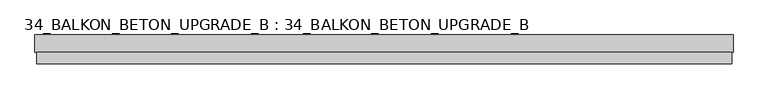
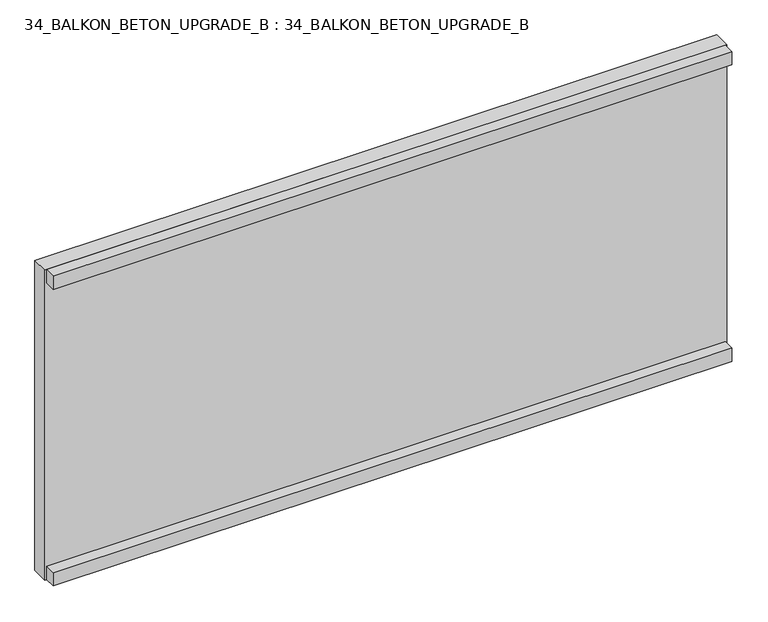
"""IFC4 building model written with IfcOpenShell, lengths in millimetres: proxy geometry, 34_BALKON_BETON_UPGRADE_B : 34_BALKON_BETON_UPGRADE_B."""

from ifc_helpers import new_model, si_unit, frame, origin, place, context, project, spatial, polyline, outline, extrude, faceted_brep, source, transform, mapped, element, save


def proxy_34_balkon_beton_upgrade_b_34_balkon_beton_upgrade_b_ca802546(model_context):
    return source(origin(), model_context, "Body", "SolidModel", [
        extrude(outline(polyline([(0.0, -171.0), (0.0, -131.0), (2400.0, -131.0), (2400.0, -171.0), (0.0, -171.0)])), frame((0.0, 0.0, -160.0), z_axis=(0.0, 0.0, 1.0), x_axis=(1.0, 0.0, 0.0)), (0.0, 0.0, 1.0), 50.1252074),
        extrude(outline(polyline([(0.0, -171.0), (0.0, -131.0), (2400.0, -131.0), (2400.0, -171.0), (0.0, -171.0)])), frame((0.0, 0.0, 949.8747926), z_axis=(0.0, 0.0, 1.0), x_axis=(1.0, 0.0, 0.0)), (0.0, 0.0, 1.0), 50.1252074),
        faceted_brep([(2404.9346322, -71.0, 1000.0), (-6.8377708, -71.0, 1000.0), (-6.8377708, -131.0, 1000.0), (2404.9346322, -131.0, 1000.0), (2404.9346322, -71.0, -160.0), (2404.9346322, -131.0, -160.0), (-6.8377708, -131.0, -160.0), (-6.8377708, -71.0, -160.0), (80.0, -71.0, 920.0866276), (80.0, -71.0, 0.0), (764.7878361, -71.0, 0.0), (764.7878361, -71.0, 920.0866276), (398.0, -71.0, -55.4898511), (398.0, -71.0, -104.5186216), (447.0, -71.0, -104.5186216), (447.0, -71.0, -55.4898511), (835.0, -71.0, 920.0866276), (835.0, -71.0, 0.0), (1564.9346322, -71.0, 0.0), (1564.9346322, -71.0, 920.0866276), (1635.0, -71.0, 920.0866276), (1635.0, -71.0, 0.0), (2319.772068, -71.0, 0.0), (2319.772068, -71.0, 920.0866276), (1175.5, -71.0, -55.4898511), (1175.5, -71.0, -104.5186216), (1224.5, -71.0, -104.5186216), (1224.5, -71.0, -55.4898511), (1953.0, -71.0, -55.4898511), (1953.0, -71.0, -104.5186216), (2002.0, -71.0, -104.5186216), (2002.0, -71.0, -55.4898511), (80.0, -101.0, 920.0866276), (764.7878361, -101.0, 920.0866276), (764.7878361, -101.0, 0.0), (80.0, -101.0, 0.0), (398.0, -130.0, -55.4898511), (447.0, -130.0, -55.4898511), (447.0, -130.0, -104.5186216), (398.0, -130.0, -104.5186216), (835.0, -101.0, 920.0866276), (1564.9346322, -101.0, 920.0866276), (1564.9346322, -101.0, 0.0), (835.0, -101.0, 0.0), (1635.0, -101.0, 920.0866276), (2319.772068, -101.0, 920.0866276), (2319.772068, -101.0, 0.0), (1635.0, -101.0, 0.0), (1175.5, -130.0, -55.4898511), (1224.5, -130.0, -55.4898511), (1224.5, -130.0, -104.5186216), (1175.5, -130.0, -104.5186216), (1953.0, -130.0, -55.4898511), (2002.0, -130.0, -55.4898511), (2002.0, -130.0, -104.5186216), (1953.0, -130.0, -104.5186216)], [[[0, 1, 2, 3]], [[4, 5, 6, 7]], [[3, 5, 4, 0]], [[2, 6, 5, 3]], [[1, 7, 6, 2]], [[0, 4, 7, 1], [8, 9, 10, 11], [12, 13, 14, 15], [16, 17, 18, 19], [20, 21, 22, 23], [24, 25, 26, 27], [28, 29, 30, 31]], [[32, 8, 11, 33]], [[34, 10, 9, 35]], [[33, 34, 35, 32]], [[35, 9, 8, 32]], [[33, 11, 10, 34]], [[36, 12, 15, 37]], [[38, 14, 13, 39]], [[37, 15, 14, 38]], [[37, 38, 39, 36]], [[39, 13, 12, 36]], [[40, 16, 19, 41]], [[42, 18, 17, 43]], [[41, 42, 43, 40]], [[43, 17, 16, 40]], [[41, 19, 18, 42]], [[44, 20, 23, 45]], [[46, 22, 21, 47]], [[45, 46, 47, 44]], [[47, 21, 20, 44]], [[45, 23, 22, 46]], [[48, 24, 27, 49]], [[50, 26, 25, 51]], [[51, 25, 24, 48]], [[49, 50, 51, 48]], [[49, 27, 26, 50]], [[52, 28, 31, 53]], [[54, 30, 29, 55]], [[55, 29, 28, 52]], [[53, 54, 55, 52]], [[53, 31, 30, 54]]]),
    ])


if __name__ == "__main__":
    model = new_model("IFC4")
    model_context = context("Model", 3, world=origin())
    ifc_project = project(units=[si_unit("LENGTHUNIT", "METRE", prefix="MILLI")], contexts=[model_context])
    site = spatial("IfcSite", under=ifc_project)
    building = spatial("IfcBuilding", under=site)
    placement = place(None, origin())
    proxy_34_balkon_beton_upgrade_b_34_balkon_beton_upgrade_b_shape = proxy_34_balkon_beton_upgrade_b_34_balkon_beton_upgrade_b_ca802546(model_context)
    element("IfcBuildingElementProxy", 1, Name="34_BALKON_BETON_UPGRADE_B : 34_BALKON_BETON_UPGRADE_B", ObjectType="34_BALKON_BETON_UPGRADE_B : 34_BALKON_BETON_UPGRADE_B", at=placement, inside=building, context=model_context, shape_type="MappedRepresentation", body=[
        mapped(proxy_34_balkon_beton_upgrade_b_34_balkon_beton_upgrade_b_shape, transform((0.0, 0.0, 0.0), x_axis=(1.0, 0.0, 0.0), y_axis=(0.0, 1.0, 0.0), z_axis=(0.0, 0.0, 1.0))),
    ])
    save(model, "model.ifc")
